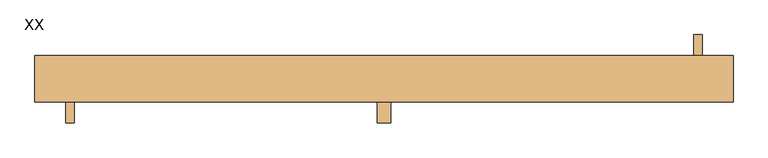
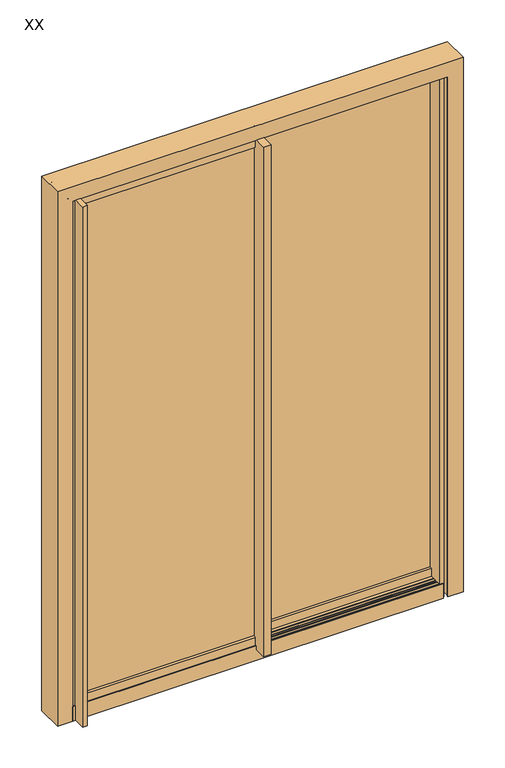
"""IFC4 building model written with IfcOpenShell, lengths in millimetres: door geometry, XX."""

from ifc_helpers import new_model, si_unit, point, frame, frame_2d, origin, origin_with_axes, place, context, project, spatial, polyline, circle_curve, ellipse_curve, trimmed, segment, composite_curve, outline, extrude, faceted_brep, source, transform, mapped, element, save
from ifc_brep_helpers import plane_surface, cylinder_surface, advanced_brep


def xx_17674572(model_context):
    return source(origin(), model_context, "Body", "SolidModel", [
        extrude(outline(polyline([(798.5132469, -20.2296152), (777.8757468, -20.2296152), (777.8757468, 47.6151775), (790.6283564, 47.6151775), (790.6283564, 73.0151775), (777.8757468, 73.0151775), (777.8757468, 140.8200097), (798.5132469, 140.8200097), (798.5132469, 82.5290794), (830.2632468, 82.5290794), (830.2632468, 38.0613151), (798.5132469, 38.0613151), (798.5132469, -20.2296152)])), origin_with_axes(), (0.0, 0.0, 1.0), 2373.3132468),
        extrude(outline(polyline([(-6.3442857, 24.1258107), (-7.514721, 23.8210107), (-7.7221895, 26.1886928), (-12.4839012, 26.1886928), (-12.6913697, 23.8210107), (-16.881, 23.8210107), (-16.881, 82.8244537), (17.119, 82.8244537), (17.119, 73.0081102), (4.3200485, 73.0081102), (4.3200485, 47.6081102), (17.119, 47.6081102), (17.119, 38.0806497), (-4.9252907, 38.0806497), (-4.9252907, 34.0128698), (0.4595907, 33.0014697), (0.4595907, 31.2425381), (-1.3311907, 30.532162), (-1.3311907, 27.2191131), (4.3200485, 26.1576852), (4.3200485, 24.7818627), (-1.9280907, 24.1258107), (-6.3442857, 24.1258107)])), frame((0.0, 0.0, 47.224651), z_axis=(0.0, 0.0, 1.0), x_axis=(1.0, 0.0, 0.0)), (0.0, 0.0, 1.0), 2326.0885959),
        extrude(outline(polyline([(17.0, 36.5058497), (17.0, -80.5285393), (-17.0, -80.5285393), (-17.0, -12.7), (-4.2521035, -12.7), (-4.2521035, 12.7), (-17.0, 12.7), (-17.0, 22.2462107), (5.0442907, 22.2462107), (5.0442907, 26.1984133), (-0.3405907, 27.2098134), (-0.3405907, 29.0843223), (1.4089324, 29.7783319), (1.4089324, 32.9862567), (-4.2010485, 34.0399354), (-4.2010485, 35.5449977), (4.9499593, 36.5058497), (7.633721, 36.5058497), (7.8411895, 34.1381676), (12.6029012, 34.1381676), (12.8103697, 36.5058497), (17.0, 36.5058497)])), frame((0.0, 0.0, 47.224651), z_axis=(0.0, 0.0, 1.0), x_axis=(1.0, 0.0, 0.0)), (0.0, 0.0, 1.0), 2326.0885959),
        extrude(outline(polyline([(-798.5132469, 80.5447926), (-777.8757468, 80.5447926), (-777.8757468, 12.7), (-790.6283564, 12.7), (-790.6283564, -12.7), (-777.8757468, -12.7), (-777.8757468, -80.5048322), (-798.5132469, -80.5048322), (-798.5132469, -22.213902), (-830.2632468, -22.213902), (-830.2632468, 22.2538623), (-798.5132469, 22.2538623), (-798.5132469, 80.5447926)])), origin_with_axes(), (0.0, 0.0, 1.0), 2373.3132468),
        advanced_brep(
        [(818.1779983, 22.2356443, 4.3891646), (817.3609412, 22.6166443, 4.3891646), (812.7880468, 22.6166443, 4.3891646), (812.7880468, -22.5953557, 4.3891646), (817.3591439, -22.5953557, 4.3891646), (818.1779983, -22.2143557, 4.3891646), (837.8651815, -22.2143557, 4.3891646), (840.2682772, -21.0937738, 4.3891646), (840.9338165, -22.5210273, 4.3891646), (838.2143063, -23.7891557, 4.3891646), (811.2132468, -23.7891557, 4.3891646), (811.2132468, 23.8104443, 4.3891646), (838.2143063, 23.8104443, 4.3891646), (840.9338165, 22.5423159, 4.3891646), (840.2682772, 21.1150624, 4.3891646), (837.8651815, 22.2356443, 4.3891646), (818.1779983, 22.2356443, 2380.2155092), (817.3609412, 22.6166443, 2379.398452), (0.0624891, 22.6166443, 2379.398452), (0.0624891, 22.6166443, 2374.8255577), (812.7880468, 22.6166443, 2374.8255577), (812.7880468, -22.5953557, 2374.8255577), (0.0624891, -22.5953557, 2374.8255577), (0.0624891, -22.5953557, 2379.3966548), (817.3591439, -22.5953557, 2379.3966548), (818.1779983, -22.2143557, 2380.2155092), (0.0624891, -22.2143557, 2380.2155092), (0.0624891, -22.2143557, 2399.9026924), (837.8651815, -22.2143557, 2399.9026924), (840.2682772, -21.0937738, 2402.3057881), (840.9338165, -22.5210273, 2402.9713274), (838.2143063, -23.7891557, 2400.2518172), (0.0624891, -23.7891557, 2400.2518172), (0.0624891, -23.7891557, 2373.2507577), (811.2132468, -23.7891557, 2373.2507577), (811.2132468, 23.8104443, 2373.2507577), (0.0624891, 23.8104443, 2373.2507577), (0.0624891, 23.8104443, 2400.2518172), (838.2143063, 23.8104443, 2400.2518172), (840.9338165, 22.5423159, 2402.9713274), (840.2682772, 21.1150624, 2402.3057881), (837.8651815, 22.2356443, 2399.9026924), (0.0624891, 22.2356443, 2399.9026924), (0.0624891, 22.2356443, 2380.2155092), (0.0624891, 21.1150624, 2402.3057881), (0.0624891, 22.5423159, 2402.9713274), (0.0624891, -22.5210273, 2402.9713274), (0.0624891, -21.0937738, 2402.3057881)],
        [
            (0, 1),
            (1, 2),
            (2, 3),
            (3, 4),
            (4, 5),
            (5, 6),
            (6, 7),
            (7, 8, circle_curve(frame((840.4748783, -21.8662339, 4.3891646), z_axis=(0.0, 0.0, -1.0), x_axis=(-1.0, 0.0, 0.0)), 0.7996115)),
            (8, 9),
            (9, 10),
            (10, 11),
            (11, 12),
            (12, 13),
            (13, 14, circle_curve(frame((840.4748783, 21.8875225, 4.3891646), z_axis=(0.0, 0.0, -1.0), x_axis=(-1.0, 0.0, 0.0)), 0.7996115)),
            (14, 15),
            (15, 0),
            (0, 16),
            (16, 17),
            (17, 1),
            (17, 18),
            (18, 19),
            (19, 20),
            (20, 2),
            (20, 21),
            (21, 3),
            (21, 22),
            (22, 23),
            (23, 24),
            (24, 4),
            (24, 25),
            (25, 5),
            (25, 26),
            (26, 27),
            (27, 28),
            (28, 6),
            (28, 29),
            (29, 7),
            (29, 30, ellipse_curve(frame((840.4748783, -21.8662339, 2402.5123892), z_axis=(0.7071067811865475, 0.0, -0.7071067811865475), x_axis=(-0.7071067811865474, 0.0, -0.7071067811865476)), 1.1308215, 0.7996115)),
            (30, 8),
            (30, 31),
            (31, 9),
            (31, 32),
            (32, 33),
            (33, 34),
            (34, 10),
            (34, 35),
            (35, 11),
            (35, 36),
            (36, 37),
            (37, 38),
            (38, 12),
            (38, 39),
            (39, 13),
            (39, 40, ellipse_curve(frame((840.4748783, 21.8875225, 2402.5123892), z_axis=(0.7071067811865475, 0.0, -0.7071067811865475), x_axis=(-0.7071067811865474, 0.0, -0.7071067811865476)), 1.1308215, 0.7996115)),
            (40, 14),
            (40, 41),
            (41, 15),
            (41, 42),
            (42, 43),
            (43, 16),
            (42, 44),
            (44, 45, circle_curve(frame((0.0624891, 21.8875225, 2402.5123892), z_axis=(-1.0, 0.0, 0.0), x_axis=(0.0, 0.0, -1.0)), 0.7996115)),
            (45, 37),
            (36, 33),
            (32, 46),
            (46, 47, circle_curve(frame((0.0624891, -21.8662339, 2402.5123892), z_axis=(-1.0, 0.0, 0.0), x_axis=(0.0, 0.0, -1.0)), 0.7996115)),
            (47, 27),
            (26, 23),
            (22, 19),
            (18, 43),
            (40, 44),
            (39, 45),
            (30, 46),
            (29, 47),
        ],
        [
            plane_surface(frame((876.3624891, -60.2665413, 4.3891646), z_axis=(0.0, 0.0, -1.0), x_axis=(0.0, -1.0, 0.0))),
            plane_surface(frame((818.1779983, 22.2356443, 4.3891646), z_axis=(-0.4226182571726684, -0.9063077891667579, 0.0), x_axis=(0.0, 0.0, 1.0))),
            plane_surface(frame((817.3609412, 22.6166443, 4.3891646), z_axis=(0.0, -1.0, 0.0), x_axis=(0.0, 0.0, 1.0))),
            plane_surface(frame((812.7880468, 22.6166443, 4.3891646), z_axis=(1.0, 0.0, 0.0), x_axis=(0.0, 0.0, 1.0))),
            plane_surface(frame((812.7880468, -22.5953557, 4.3891646), z_axis=(0.0, 1.0, 0.0), x_axis=(0.0, 0.0, 1.0))),
            plane_surface(frame((817.3591439, -22.5953557, 4.3891646), z_axis=(-0.4218559087348512, 0.906662887883635, 0.0), x_axis=(0.0, 0.0, 1.0))),
            plane_surface(frame((818.1779983, -22.2143557, 4.3891646), z_axis=(0.0, 1.0, 0.0), x_axis=(0.0, 0.0, 1.0))),
            plane_surface(frame((837.8651815, -22.2143557, 4.3891646), z_axis=(-0.42261825717236645, 0.9063077891668987, 0.0), x_axis=(0.0, 0.0, 1.0))),
            cylinder_surface(frame((840.4748783, -21.8662339, 4.3891646), z_axis=(0.0, 0.0, -1.0), x_axis=(-1.0, 0.0, 0.0)), 0.7996115),
            plane_surface(frame((840.9338165, -22.5210273, 4.3891646), z_axis=(0.42261825717223656, -0.9063077891669592, 0.0), x_axis=(0.0, 0.0, 1.0))),
            plane_surface(frame((838.2143063, -23.7891557, 4.3891646), z_axis=(0.0, -1.0, 0.0), x_axis=(0.0, 0.0, 1.0))),
            plane_surface(frame((811.2132468, -23.7891557, 4.3891646), z_axis=(-1.0, 0.0, 0.0), x_axis=(0.0, 0.0, 1.0))),
            plane_surface(frame((811.2132468, 23.8104443, 4.3891646), z_axis=(0.0, 1.0, 0.0), x_axis=(0.0, 0.0, 1.0))),
            plane_surface(frame((838.2143063, 23.8104443, 4.3891646), z_axis=(0.4226182571722667, 0.9063077891669452, 0.0), x_axis=(0.0, 0.0, 1.0))),
            cylinder_surface(frame((840.4748783, 21.8875225, 4.3891646), z_axis=(0.0, 0.0, -1.0), x_axis=(-1.0, 0.0, 0.0)), 0.7996115),
            plane_surface(frame((840.2682772, 21.1150624, 4.3891646), z_axis=(-0.42261825717239265, -0.9063077891668865, 0.0), x_axis=(0.0, 0.0, 1.0))),
            plane_surface(frame((837.8651815, 22.2356443, 4.3891646), z_axis=(0.0, -1.0, 0.0), x_axis=(0.0, 0.0, 1.0))),
            plane_surface(frame((0.0624891, -60.2665413, 2438.4), z_axis=(-1.0, 0.0, 0.0), x_axis=(0.0, -1.0, 0.0))),
            plane_surface(frame((840.2682772, 21.1150624, 2402.3057881), z_axis=(0.0, -0.9063077891668865, -0.42261825717239265), x_axis=(-1.0, 0.0, 0.0))),
            cylinder_surface(frame((876.3624891, 21.8875225, 2402.5123892), z_axis=(1.0, 0.0, 0.0), x_axis=(0.0, 0.0, -1.0)), 0.7996115),
            plane_surface(frame((838.2143063, 23.8104443, 2400.2518172), z_axis=(0.0, 0.9063077891669452, 0.4226182571722667), x_axis=(-1.0, 0.0, 0.0))),
            plane_surface(frame((811.2132468, -23.7891557, 2373.2507577), z_axis=(0.0, 0.0, -1.0), x_axis=(-1.0, 0.0, 0.0))),
            plane_surface(frame((840.9338165, -22.5210273, 2402.9713274), z_axis=(0.0, -0.9063077891669592, 0.42261825717223656), x_axis=(-1.0, 0.0, 0.0))),
            cylinder_surface(frame((876.3624891, -21.8662339, 2402.5123892), z_axis=(1.0, 0.0, 0.0), x_axis=(0.0, 0.0, -1.0)), 0.7996115),
            plane_surface(frame((837.8651815, -22.2143557, 2399.9026924), z_axis=(0.0, 0.9063077891668987, -0.42261825717236645), x_axis=(-1.0, 0.0, 0.0))),
            plane_surface(frame((817.3591439, -22.5953557, 2379.3966548), z_axis=(0.0, 0.906662887883635, -0.4218559087348512), x_axis=(-1.0, 0.0, 0.0))),
            plane_surface(frame((812.7880468, 22.6166443, 2374.8255577), z_axis=(0.0, 0.0, 1.0), x_axis=(-1.0, 0.0, 0.0))),
            plane_surface(frame((818.1779983, 22.2356443, 2380.2155092), z_axis=(0.0, -0.9063077891667579, -0.4226182571726684), x_axis=(-1.0, 0.0, 0.0))),
        ],
        [
            (0, [[1, 2, 3, 4, 5, 6, 7, 8, 9, 10, 11, 12, 13, 14, 15, 16]]),
            (1, [[-1, 17, 18, 19]]),
            (2, [[-2, -19, 20, 21, 22, 23]]),
            (3, [[-3, -23, 24, 25]]),
            (4, [[-4, -25, 26, 27, 28, 29]]),
            (5, [[-5, -29, 30, 31]]),
            (6, [[-6, -31, 32, 33, 34, 35]]),
            (7, [[-7, -35, 36, 37]]),
            (8, [[-8, -37, 38, 39]]),
            (9, [[-9, -39, 40, 41]]),
            (10, [[-10, -41, 42, 43, 44, 45]]),
            (11, [[-11, -45, 46, 47]]),
            (12, [[-12, -47, 48, 49, 50, 51]]),
            (13, [[-13, -51, 52, 53]]),
            (14, [[-14, -53, 54, 55]]),
            (15, [[-15, -55, 56, 57]]),
            (16, [[-16, -57, 58, 59, 60, -17]]),
            (17, [[-59, 61, 62, 63, -49, 64, -43, 65, 66, 67, -33, 68, -27, 69, -21, 70]]),
            (18, [[-56, 71, -61, -58]]),
            (19, [[-54, 72, -62, -71]]),
            (20, [[-52, -50, -63, -72]]),
            (21, [[-46, -44, -64, -48]]),
            (22, [[-40, 73, -65, -42]]),
            (23, [[-38, 74, -66, -73]]),
            (24, [[-36, -34, -67, -74]]),
            (25, [[-30, -28, -68, -32]]),
            (26, [[-24, -22, -69, -26]]),
            (27, [[-18, -60, -70, -20]]),
        ],
    ),
        advanced_brep(
        [(-818.1155092, 82.5021856, 4.3891646), (-837.8026924, 82.5021856, 4.3891646), (-840.2057881, 81.3816037, 4.3891646), (-840.8713274, 82.8088572, 4.3891646), (-838.1518172, 84.0769856, 4.3891646), (-811.1507577, 84.0769856, 4.3891646), (-811.1507577, 36.4773856, 4.3891646), (-838.1518172, 36.4773856, 4.3891646), (-840.8713274, 37.745514, 4.3891646), (-840.2057881, 39.1727675, 4.3891646), (-837.8026924, 38.0521856, 4.3891646), (-818.1155092, 38.0521856, 4.3891646), (-817.2966548, 37.6711856, 4.3891646), (-812.7255577, 37.6711856, 4.3891646), (-812.7255577, 82.8831856, 4.3891646), (-817.298452, 82.8831856, 4.3891646), (-818.1155092, 82.5021856, 2380.2155092), (0.0, 82.5021856, 2380.2155092), (0.0, 82.5021856, 2399.9026924), (-837.8026924, 82.5021856, 2399.9026924), (-840.2057881, 81.3816037, 2402.3057881), (-840.8713274, 82.8088572, 2402.9713274), (-838.1518172, 84.0769856, 2400.2518172), (0.0, 84.0769856, 2400.2518172), (0.0, 84.0769856, 2373.2507577), (-811.1507577, 84.0769856, 2373.2507577), (-811.1507577, 36.4773856, 2373.2507577), (0.0, 36.4773856, 2373.2507577), (0.0, 36.4773856, 2400.2518172), (-838.1518172, 36.4773856, 2400.2518172), (-840.8713274, 37.745514, 2402.9713274), (-840.2057881, 39.1727675, 2402.3057881), (-837.8026924, 38.0521856, 2399.9026924), (0.0, 38.0521856, 2399.9026924), (0.0, 38.0521856, 2380.2155092), (-818.1155092, 38.0521856, 2380.2155092), (-817.2966548, 37.6711856, 2379.3966548), (0.0, 37.6711856, 2379.3966548), (0.0, 37.6711856, 2374.8255577), (-812.7255577, 37.6711856, 2374.8255577), (-812.7255577, 82.8831856, 2374.8255577), (0.0, 82.8831856, 2374.8255577), (0.0, 82.8831856, 2379.398452), (-817.298452, 82.8831856, 2379.398452), (0.0, 39.1727675, 2402.3057881), (0.0, 37.745514, 2402.9713274), (0.0, 82.8088572, 2402.9713274), (0.0, 81.3816037, 2402.3057881)],
        [
            (0, 1),
            (1, 2),
            (2, 3, circle_curve(frame((-840.4123892, 82.1540638, 4.3891646), z_axis=(0.0, 0.0, -1.0), x_axis=(-1.0, 0.0, 0.0)), 0.7996115)),
            (3, 4),
            (4, 5),
            (5, 6),
            (6, 7),
            (7, 8),
            (8, 9, circle_curve(frame((-840.4123892, 38.4003074, 4.3891646), z_axis=(0.0, 0.0, -1.0), x_axis=(-1.0, 0.0, 0.0)), 0.7996115)),
            (9, 10),
            (10, 11),
            (11, 12),
            (12, 13),
            (13, 14),
            (14, 15),
            (15, 0),
            (0, 16),
            (16, 17),
            (17, 18),
            (18, 19),
            (19, 1),
            (19, 20),
            (20, 2),
            (20, 21, ellipse_curve(frame((-840.4123892, 82.1540638, 2402.5123892), z_axis=(-0.7071067811865475, 0.0, -0.7071067811865475), x_axis=(0.7071067811865474, 0.0, -0.7071067811865476)), 1.1308215, 0.7996115)),
            (21, 3),
            (21, 22),
            (22, 4),
            (22, 23),
            (23, 24),
            (24, 25),
            (25, 5),
            (25, 26),
            (26, 6),
            (26, 27),
            (27, 28),
            (28, 29),
            (29, 7),
            (29, 30),
            (30, 8),
            (30, 31, ellipse_curve(frame((-840.4123892, 38.4003074, 2402.5123892), z_axis=(-0.7071067811865475, 0.0, -0.7071067811865475), x_axis=(0.7071067811865474, 0.0, -0.7071067811865476)), 1.1308215, 0.7996115)),
            (31, 9),
            (31, 32),
            (32, 10),
            (32, 33),
            (33, 34),
            (34, 35),
            (35, 11),
            (35, 36),
            (36, 12),
            (36, 37),
            (37, 38),
            (38, 39),
            (39, 13),
            (39, 40),
            (40, 14),
            (40, 41),
            (41, 42),
            (42, 43),
            (43, 15),
            (43, 16),
            (17, 42),
            (41, 38),
            (37, 34),
            (33, 44),
            (44, 45, circle_curve(frame((0.0, 38.4003074, 2402.5123892), z_axis=(1.0, 0.0, 0.0), x_axis=(0.0, 0.0, 1.0)), 0.7996115)),
            (45, 28),
            (27, 24),
            (23, 46),
            (46, 47, circle_curve(frame((0.0, 82.1540638, 2402.5123892), z_axis=(1.0, 0.0, 0.0), x_axis=(0.0, 0.0, 1.0)), 0.7996115)),
            (47, 18),
            (31, 44),
            (30, 45),
            (21, 46),
            (20, 47),
        ],
        [
            plane_surface(frame((-876.3, 0.0, 4.3891646), z_axis=(0.0, 0.0, -1.0), x_axis=(0.0, -1.0, 0.0))),
            plane_surface(frame((-818.1155092, 82.5021856, 4.3891646), z_axis=(0.0, -1.0, 0.0), x_axis=(0.0, 0.0, 1.0))),
            plane_surface(frame((-837.8026924, 82.5021856, 4.3891646), z_axis=(0.42261825717239265, -0.9063077891668865, 0.0), x_axis=(0.0, 0.0, 1.0))),
            cylinder_surface(frame((-840.4123892, 82.1540638, 4.3891646), z_axis=(0.0, 0.0, -1.0), x_axis=(-1.0, 0.0, 0.0)), 0.7996115),
            plane_surface(frame((-840.8713274, 82.8088572, 4.3891646), z_axis=(-0.422618257172269, 0.9063077891669441, 0.0), x_axis=(0.0, 0.0, 1.0))),
            plane_surface(frame((-838.1518172, 84.0769856, 4.3891646), z_axis=(0.0, 1.0, 0.0), x_axis=(0.0, 0.0, 1.0))),
            plane_surface(frame((-811.1507577, 84.0769856, 4.3891646), z_axis=(1.0, 0.0, 0.0), x_axis=(0.0, 0.0, 1.0))),
            plane_surface(frame((-811.1507577, 36.4773856, 4.3891646), z_axis=(0.0, -1.0, 0.0), x_axis=(0.0, 0.0, 1.0))),
            plane_surface(frame((-838.1518172, 36.4773856, 4.3891646), z_axis=(-0.42261825717223656, -0.9063077891669592, 0.0), x_axis=(0.0, 0.0, 1.0))),
            cylinder_surface(frame((-840.4123892, 38.4003074, 4.3891646), z_axis=(0.0, 0.0, -1.0), x_axis=(-1.0, 0.0, 0.0)), 0.7996115),
            plane_surface(frame((-840.2057881, 39.1727675, 4.3891646), z_axis=(0.42261825717236645, 0.9063077891668987, 0.0), x_axis=(0.0, 0.0, 1.0))),
            plane_surface(frame((-837.8026924, 38.0521856, 4.3891646), z_axis=(0.0, 1.0, 0.0), x_axis=(0.0, 0.0, 1.0))),
            plane_surface(frame((-818.1155092, 38.0521856, 4.3891646), z_axis=(0.4218559087348512, 0.906662887883635, 0.0), x_axis=(0.0, 0.0, 1.0))),
            plane_surface(frame((-817.2966548, 37.6711856, 4.3891646), z_axis=(0.0, 1.0, 0.0), x_axis=(0.0, 0.0, 1.0))),
            plane_surface(frame((-812.7255577, 37.6711856, 4.3891646), z_axis=(-1.0, 0.0, 0.0), x_axis=(0.0, 0.0, 1.0))),
            plane_surface(frame((-812.7255577, 82.8831856, 4.3891646), z_axis=(0.0, -1.0, 0.0), x_axis=(0.0, 0.0, 1.0))),
            plane_surface(frame((-817.298452, 82.8831856, 4.3891646), z_axis=(0.4226182571726684, -0.9063077891667579, 0.0), x_axis=(0.0, 0.0, 1.0))),
            plane_surface(frame((0.0, 0.0, 2438.4), z_axis=(1.0, 0.0, 0.0), x_axis=(0.0, -1.0, 0.0))),
            plane_surface(frame((-817.298452, 82.8831856, 2379.398452), z_axis=(0.0, -0.9063077891667579, -0.4226182571726684), x_axis=(1.0, 0.0, 0.0))),
            plane_surface(frame((-812.7255577, 37.6711856, 2374.8255577), z_axis=(0.0, 0.0, 1.0), x_axis=(1.0, 0.0, 0.0))),
            plane_surface(frame((-818.1155092, 38.0521856, 2380.2155092), z_axis=(0.0, 0.906662887883635, -0.4218559087348512), x_axis=(1.0, 0.0, 0.0))),
            plane_surface(frame((-840.2057881, 39.1727675, 2402.3057881), z_axis=(0.0, 0.9063077891668987, -0.42261825717236645), x_axis=(1.0, 0.0, 0.0))),
            cylinder_surface(frame((-876.3, 38.4003074, 2402.5123892), z_axis=(-1.0, 0.0, 0.0), x_axis=(0.0, 0.0, 1.0)), 0.7996115),
            plane_surface(frame((-838.1518172, 36.4773856, 2400.2518172), z_axis=(0.0, -0.9063077891669592, 0.42261825717223656), x_axis=(1.0, 0.0, 0.0))),
            plane_surface(frame((-811.1507577, 84.0769856, 2373.2507577), z_axis=(0.0, 0.0, -1.0), x_axis=(1.0, 0.0, 0.0))),
            plane_surface(frame((-840.8713274, 82.8088572, 2402.9713274), z_axis=(0.0, 0.9063077891669441, 0.422618257172269), x_axis=(1.0, 0.0, 0.0))),
            cylinder_surface(frame((-876.3, 82.1540638, 2402.5123892), z_axis=(-1.0, 0.0, 0.0), x_axis=(0.0, 0.0, 1.0)), 0.7996115),
            plane_surface(frame((-837.8026924, 82.5021856, 2399.9026924), z_axis=(0.0, -0.9063077891668865, -0.42261825717239265), x_axis=(1.0, 0.0, 0.0))),
        ],
        [
            (0, [[1, 2, 3, 4, 5, 6, 7, 8, 9, 10, 11, 12, 13, 14, 15, 16]]),
            (1, [[-1, 17, 18, 19, 20, 21]]),
            (2, [[-2, -21, 22, 23]]),
            (3, [[-3, -23, 24, 25]]),
            (4, [[-4, -25, 26, 27]]),
            (5, [[-5, -27, 28, 29, 30, 31]]),
            (6, [[-6, -31, 32, 33]]),
            (7, [[-7, -33, 34, 35, 36, 37]]),
            (8, [[-8, -37, 38, 39]]),
            (9, [[-9, -39, 40, 41]]),
            (10, [[-10, -41, 42, 43]]),
            (11, [[-11, -43, 44, 45, 46, 47]]),
            (12, [[-12, -47, 48, 49]]),
            (13, [[-13, -49, 50, 51, 52, 53]]),
            (14, [[-14, -53, 54, 55]]),
            (15, [[-15, -55, 56, 57, 58, 59]]),
            (16, [[-16, -59, 60, -17]]),
            (17, [[61, -57, 62, -51, 63, -45, 64, 65, 66, -35, 67, -29, 68, 69, 70, -19]]),
            (18, [[-60, -58, -61, -18]]),
            (19, [[-54, -52, -62, -56]]),
            (20, [[-48, -46, -63, -50]]),
            (21, [[-42, 71, -64, -44]]),
            (22, [[-40, 72, -65, -71]]),
            (23, [[-38, -36, -66, -72]]),
            (24, [[-32, -30, -67, -34]]),
            (25, [[-26, 73, -68, -28]]),
            (26, [[-24, 74, -69, -73]]),
            (27, [[-22, -20, -70, -74]]),
        ],
    ),
        faceted_brep([(-876.3, -28.156056, 0.0), (-876.3, 88.4475797, 0.0), (-811.2132468, 88.4475797, 0.0), (-811.2132468, 84.4597797, 0.0), (-841.3884478, 84.4597797, 0.0), (-841.3884478, 36.1080384, 0.0), (-811.1507577, 36.1080384, 0.0), (-811.1507577, 24.1700384, 0.0), (-841.3884478, 24.1700384, 0.0), (-841.3884478, -24.168256, 0.0), (-811.2132468, -24.168256, 0.0), (-811.2132468, -28.156056, 0.0), (-876.3, -28.156056, 2438.4), (-876.3, 88.4475797, 2438.4), (876.3, 88.4475797, 2438.4), (876.3, 88.4475797, 0.0), (811.2132468, 88.4475797, 0.0), (811.2132468, 88.4475797, 2373.3132468), (-811.2132468, 88.4475797, 2373.3132468), (-811.2132468, 84.4597797, 2373.3132468), (811.2132468, 84.4597797, 2373.3132468), (811.2132468, 84.4597797, 0.0), (841.3884478, 84.4597797, 0.0), (841.3884478, 84.4597797, 2403.4884478), (-841.3884478, 84.4597797, 2403.4884478), (-841.3884478, 36.1080384, 2403.4884478), (841.3884478, 36.1080384, 2403.4884478), (841.3884478, 36.1080384, 0.0), (811.1507577, 36.1080384, 0.0), (811.1507577, 36.1080384, 2373.2507577), (-811.1507577, 36.1080384, 2373.2507577), (-811.1507577, 24.1700384, 2373.2507577), (811.1507577, 24.1700384, 2373.2507577), (811.1507577, 24.1700384, 0.0), (841.3884478, 24.1700384, 0.0), (841.3884478, 24.1700384, 2403.4884478), (-841.3884478, 24.1700384, 2403.4884478), (-841.3884478, -24.168256, 2403.4884478), (841.3884478, -24.168256, 2403.4884478), (841.3884478, -24.168256, 0.0), (811.2132468, -24.168256, 0.0), (811.2132468, -24.168256, 2373.3132468), (-811.2132468, -24.168256, 2373.3132468), (-811.2132468, -28.156056, 2373.3132468), (811.2132468, -28.156056, 2373.3132468), (811.2132468, -28.156056, 0.0), (876.3, -28.156056, 0.0), (876.3, -28.156056, 2438.4)], [[[0, 1, 2, 3, 4, 5, 6, 7, 8, 9, 10, 11]], [[1, 0, 12, 13]], [[2, 1, 13, 14, 15, 16, 17, 18]], [[3, 2, 18, 19]], [[4, 3, 19, 20, 21, 22, 23, 24]], [[5, 4, 24, 25]], [[6, 5, 25, 26, 27, 28, 29, 30]], [[7, 6, 30, 31]], [[8, 7, 31, 32, 33, 34, 35, 36]], [[9, 8, 36, 37]], [[10, 9, 37, 38, 39, 40, 41, 42]], [[11, 10, 42, 43]], [[0, 11, 43, 44, 45, 46, 47, 12]], [[46, 45, 40, 39, 34, 33, 28, 27, 22, 21, 16, 15]], [[44, 41, 40, 45]], [[38, 35, 34, 39]], [[32, 29, 28, 33]], [[26, 23, 22, 27]], [[20, 17, 16, 21]], [[14, 47, 46, 15]], [[13, 12, 47, 14]], [[19, 18, 17, 20]], [[25, 24, 23, 26]], [[31, 30, 29, 32]], [[37, 36, 35, 38]], [[43, 42, 41, 44]]]),
        extrude(outline(polyline([(0.0, 12.0), (0.0, -12.0), (-811.1507577, -12.0), (-811.1507577, 12.0), (0.0, 12.0)])), frame((0.0, 0.0, 85.6716611), z_axis=(0.0, 0.0, 1.0), x_axis=(1.0, 0.0, 0.0)), (0.0, 0.0, 1.0), 2266.7050301),
        extrude(outline(polyline([(790.6285342, 73.0081102), (790.6285342, 47.5893606), (0.0, 47.5893606), (0.0, 73.0081102), (790.6285342, 73.0081102)])), frame((0.0, 0.0, 85.6716611), z_axis=(0.0, 0.0, 1.0), x_axis=(1.0, 0.0, 0.0)), (0.0, 0.0, 1.0), 2266.7050301),
        extrude(outline(composite_curve([segment(polyline([(-22.0185507, 99.692407), (-12.6852812, 103.0894389), (-12.6852812, 85.6716611), (12.7147188, 85.6716611), (12.7147188, 103.0894392), (22.0504493, 99.6915111), (22.0504493, 56.4374283), (21.2530712, 53.1102647)]), True, "CONTINUOUS"), segment(trimmed(circle_curve(frame_2d((20.2657993, 53.3501611)), 1.016), [point((21.2530712, 53.1102647))], [point((19.4412296, 52.7565781))], False, "CARTESIAN"), True, "CONTINUOUS"), segment(polyline([(19.4412296, 52.7565781), (19.4412296, 67.5918848), (-19.4093309, 67.5918848), (-19.4093309, 52.7565781)]), True, "CONTINUOUS"), segment(trimmed(circle_curve(frame_2d((-20.2339006, 53.3501611)), 1.016), [point((-19.4093309, 52.7565781))], [point((-21.2211725, 53.1102647))], False, "CARTESIAN"), True, "CONTINUOUS"), segment(polyline([(-21.2211725, 53.1102647), (-22.0185507, 56.4374283), (-22.0185507, 99.692407)]), True, "CONTINUOUS")], self_intersect=False)), frame((-830.2632468, 0.0, 0.0), z_axis=(1.0, 0.0, 0.0), x_axis=(0.0, 1.0, 0.0)), (0.0, 0.0, 1.0), 830.2632468),
        extrude(outline(composite_curve([segment(polyline([(-22.0185507, 2338.3559453), (-22.0185507, 2381.610924), (-21.2211725, 2384.9380876)]), True, "CONTINUOUS"), segment(trimmed(circle_curve(frame_2d((-20.2339006, 2384.6981912)), 1.016), [point((-21.2211725, 2384.9380876))], [point((-19.4093309, 2385.2917743))], False, "CARTESIAN"), True, "CONTINUOUS"), segment(polyline([(-19.4093309, 2385.2917743), (-19.4093309, 2370.4564675), (19.4412296, 2370.4564675), (19.4412296, 2385.2917743)]), True, "CONTINUOUS"), segment(trimmed(circle_curve(frame_2d((20.2657993, 2384.6981912)), 1.016), [point((19.4412296, 2385.2917743))], [point((21.2530712, 2384.9380876))], False, "CARTESIAN"), True, "CONTINUOUS"), segment(polyline([(21.2530712, 2384.9380876), (22.0504493, 2381.610924), (22.0504493, 2338.3568413), (12.7147188, 2334.9589131), (12.7147188, 2352.3766912), (-12.6852812, 2352.3766912), (-12.6852812, 2334.9589135), (-22.0185507, 2338.3559453)]), True, "CONTINUOUS")], self_intersect=False)), frame((-830.2632468, 0.0, 0.0), z_axis=(1.0, 0.0, 0.0), x_axis=(0.0, 1.0, 0.0)), (0.0, 0.0, 1.0), 826.0111433),
        extrude(outline(composite_curve([segment(polyline([(38.2708099, 99.692407), (47.6040794, 103.0894389), (47.6040794, 85.6716611), (73.0040794, 85.6716611), (73.0040794, 103.0894392), (82.3398099, 99.6915111), (82.3398099, 56.4374283), (81.5424318, 53.1102647)]), True, "CONTINUOUS"), segment(trimmed(circle_curve(frame_2d((80.5551599, 53.3501611)), 1.016), [point((81.5424318, 53.1102647))], [point((79.7305902, 52.7565781))], False, "CARTESIAN"), True, "CONTINUOUS"), segment(polyline([(79.7305902, 52.7565781), (79.7305902, 67.5918848), (40.8800296, 67.5918848), (40.8800296, 52.7565781)]), True, "CONTINUOUS"), segment(trimmed(circle_curve(frame_2d((40.0554599, 53.3501611)), 1.016), [point((40.8800296, 52.7565781))], [point((39.0681881, 53.1102647))], False, "CARTESIAN"), True, "CONTINUOUS"), segment(polyline([(39.0681881, 53.1102647), (38.2708099, 56.4374283), (38.2708099, 99.692407)]), True, "CONTINUOUS")], self_intersect=False)), frame((0.0, 0.0, 0.0), z_axis=(1.0, 0.0, 0.0), x_axis=(0.0, 1.0, 0.0)), (0.0, 0.0, 1.0), 811.2132468),
        extrude(outline(composite_curve([segment(polyline([(7.1326099, 65.0867532), (17.0466729, 65.0867532)]), True, "CONTINUOUS"), segment(trimmed(circle_curve(frame_2d((17.0466729, 64.2993532)), 0.7874), [point((17.0466729, 65.0867532))], [point((17.8340729, 64.2993532))], False, "CARTESIAN"), True, "CONTINUOUS"), segment(polyline([(17.8340729, 64.2993532), (17.8340729, 50.8682481), (24.1700384, 50.8682481), (24.1700384, 65.1492423), (36.1080384, 65.1492423), (36.1080384, 55.5443706), (38.2722189, 55.5443706), (38.2722189, 52.2919994), (40.0751657, 52.2919994)]), True, "CONTINUOUS"), segment(trimmed(circle_curve(frame_2d((40.0751657, 53.0857494)), 0.79375), [point((40.0751657, 52.2919994))], [point((40.8689157, 53.0857494))], True, "CARTESIAN"), True, "CONTINUOUS"), segment(polyline([(40.8689157, 53.0857494), (40.8594556, 57.664284), (46.7071248, 63.5119532), (73.8296821, 63.5119532), (79.6759926, 57.6656427), (79.6854555, 53.0857494)]), True, "CONTINUOUS"), segment(trimmed(circle_curve(frame_2d((80.4792055, 53.0857494)), 0.79375), [point((79.6854555, 53.0857494))], [point((80.4792055, 52.2919994))], True, "CARTESIAN"), True, "CONTINUOUS"), segment(polyline([(80.4792055, 52.2919994), (82.264588, 52.2919994), (82.264588, 55.5443706), (84.4463328, 55.5443706), (84.4463328, 65.0867532), (88.4341328, 65.0867532), (88.4341328, 0.0), (83.2485566, 0.0), (82.7721429, 1.778), (86.6561328, 1.778), (86.6561328, 5.0863963), (77.2966319, 5.576907), (55.7248817, 5.576907), (55.7248817, 6.7074345), (49.4170384, 7.0380145), (49.4170384, 1.9812), (52.4142384, 1.9812), (52.4142384, 0.0), (47.6390384, 0.0), (47.6390384, 4.4546624), (12.6390384, 4.4546624), (12.6390384, 0.0), (7.8638384, 0.0), (7.8638384, 1.9812), (10.8610384, 1.9812), (10.8610384, 7.0380145), (4.553195, 6.7074345), (4.553195, 5.576907), (-17.0185551, 5.576907), (-26.378056, 5.0863963), (-26.378056, 1.778), (-22.990595, 1.778), (-22.990595, 0.0), (-28.156056, 0.0), (-28.156056, 65.0867532), (-24.168256, 65.0867532), (-24.168256, 50.8682481), (-17.8436532, 50.8682481), (-17.8436532, 64.2993532)]), True, "CONTINUOUS"), segment(trimmed(circle_curve(frame_2d((-17.0562532, 64.2993532)), 0.7874), [point((-17.8436532, 64.2993532))], [point((-17.0562532, 65.0867532))], False, "CARTESIAN"), True, "CONTINUOUS"), segment(polyline([(-17.0562532, 65.0867532), (-7.1421901, 65.0867532)]), True, "CONTINUOUS"), segment(trimmed(circle_curve(frame_2d((-7.1421901, 64.2993532)), 0.7874), [point((-7.1421901, 65.0867532))], [point((-6.3547901, 64.2993532))], False, "CARTESIAN"), True, "CONTINUOUS"), segment(polyline([(-6.3547901, 64.2993532), (-6.3547901, 55.3691629), (-5.4509932, 55.3691629), (-2.6088272, 59.4281967)]), True, "CONTINUOUS"), segment(trimmed(circle_curve(frame_2d((-0.004931, 60.005543)), 2.6671341), [point((-2.6088272, 59.4281967))], [point((2.599912, 59.4324832))], False, "CARTESIAN"), True, "CONTINUOUS"), segment(polyline([(2.599912, 59.4324832), (5.4449741, 55.3691629), (6.3452099, 55.3691629), (6.3452099, 64.2993532)]), True, "CONTINUOUS"), segment(trimmed(circle_curve(frame_2d((7.1326099, 64.2993532)), 0.7874), [point((6.3452099, 64.2993532))], [point((7.1326099, 65.0867532))], False, "CARTESIAN"), True, "CONTINUOUS")], self_intersect=False)), frame((-811.1507577, 0.0, 0.0), z_axis=(1.0, 0.0, 0.0), x_axis=(0.0, 1.0, 0.0)), (0.0, 0.0, 1.0), 1601.7791141),
        extrude(outline(composite_curve([segment(polyline([(38.2708099, 2338.3559453), (38.2708099, 2381.610924), (39.0681881, 2384.9380876)]), True, "CONTINUOUS"), segment(trimmed(circle_curve(frame_2d((40.0554599, 2384.6981912)), 1.016), [point((39.0681881, 2384.9380876))], [point((40.8800296, 2385.2917743))], False, "CARTESIAN"), True, "CONTINUOUS"), segment(polyline([(40.8800296, 2385.2917743), (40.8800296, 2370.4564675), (79.7305902, 2370.4564675), (79.7305902, 2385.2917743)]), True, "CONTINUOUS"), segment(trimmed(circle_curve(frame_2d((80.5551599, 2384.6981912)), 1.016), [point((79.7305902, 2385.2917743))], [point((81.5424318, 2384.9380876))], False, "CARTESIAN"), True, "CONTINUOUS"), segment(polyline([(81.5424318, 2384.9380876), (82.3398099, 2381.610924), (82.3398099, 2338.3568413), (73.0040794, 2334.9589131), (73.0040794, 2352.3766912), (47.6040794, 2352.3766912), (47.6040794, 2334.9589135), (38.2708099, 2338.3559453)]), True, "CONTINUOUS")], self_intersect=False)), frame((4.3200485, 0.0, 0.0), z_axis=(1.0, 0.0, 0.0), x_axis=(0.0, 1.0, 0.0)), (0.0, 0.0, 1.0), 806.8931983),
    ])


if __name__ == "__main__":
    model = new_model("IFC4")
    model_context = context("Model", 3, world=origin())
    ifc_project = project(units=[si_unit("LENGTHUNIT", "METRE", prefix="MILLI")], contexts=[model_context])
    site = spatial("IfcSite", under=ifc_project)
    building = spatial("IfcBuilding", under=site)
    placement = place(None, origin())
    xx_shape = xx_17674572(model_context)
    element("IfcDoor", 1, ObjectType="XX", at=placement, inside=building, context=model_context, shape_type="MappedRepresentation", body=[
        mapped(xx_shape, transform((0.0, 0.0, 0.0), x_axis=(1.0, 0.0, 0.0), y_axis=(0.0, 1.0, 0.0), z_axis=(0.0, 0.0, 1.0))),
    ])
    save(model, "model.ifc")
